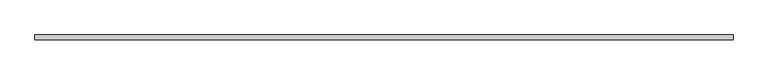
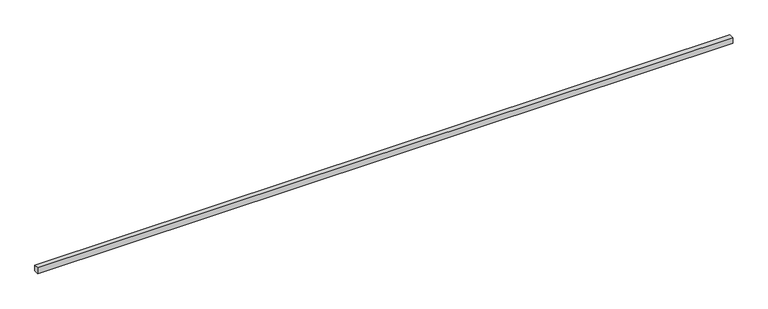
"""IFC4 building model written with IfcOpenShell, lengths in millimetres: proxy geometry."""

from ifc_helpers import new_model, si_unit, frame, origin, place, context, project, spatial, polyline, outline, extrude, source, transform, mapped, element, save


def generic_models_30786052(model_context):
    return source(origin(), model_context, "Body", "SweptSolid", [
        extrude(outline(polyline([(40.0, 0.0), (-40.0, 0.0), (-40.0, 11416.6553505), (40.0, 11416.6553505), (40.0, 0.0)])), frame((11416.6553505, 0.0, 0.0), z_axis=(0.0, -1.9783474858313244e-12, 1.0), x_axis=(0.0, 1.0, 1.9783474858313244e-12)), (0.0, 0.0, 1.0), 100.0),
    ])


if __name__ == "__main__":
    model = new_model("IFC4")
    model_context = context("Model", 3, world=origin())
    ifc_project = project(units=[si_unit("LENGTHUNIT", "METRE", prefix="MILLI")], contexts=[model_context])
    site = spatial("IfcSite", under=ifc_project)
    building = spatial("IfcBuilding", under=site)
    placement = place(None, origin())
    generic_models_shape = generic_models_30786052(model_context)
    element("IfcBuildingElementProxy", 1, Name="Generic Models", at=placement, inside=building, context=model_context, shape_type="MappedRepresentation", body=[
        mapped(generic_models_shape, transform((0.0, 0.0, 0.0), x_axis=(1.0, 0.0, 0.0), y_axis=(0.0, 1.0, 0.0), z_axis=(0.0, 0.0, 1.0))),
    ])
    save(model, "model.ifc")
